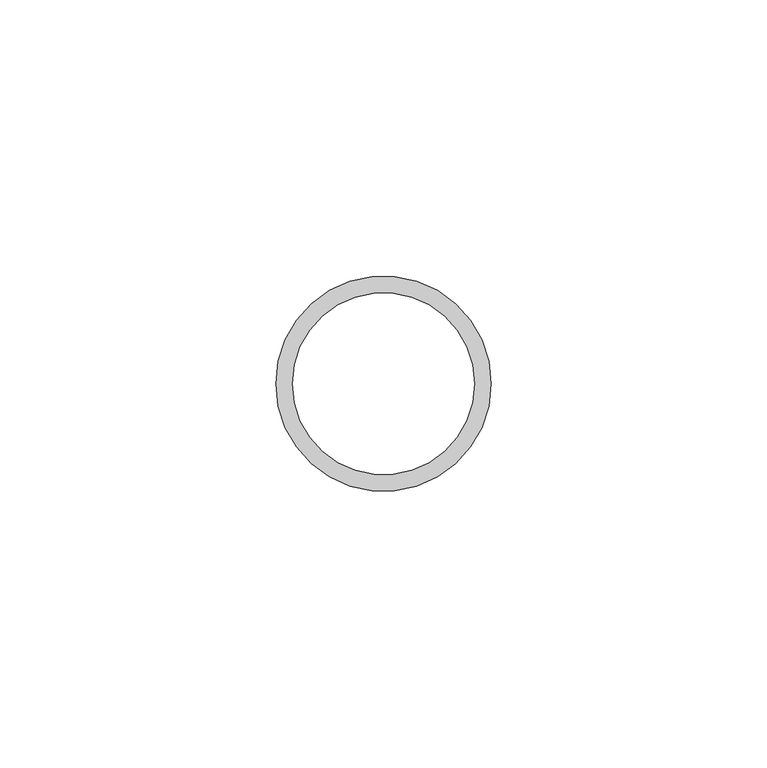
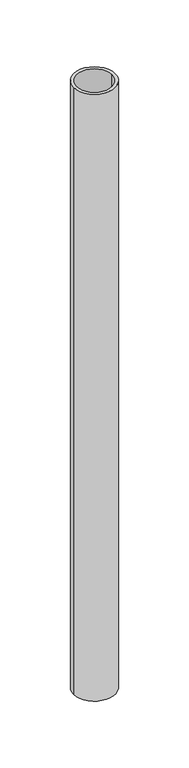
"""IFC4 building model written with IfcOpenShell, lengths in millimetres: beam geometry."""

from ifc_helpers import new_model, si_unit, point, frame, origin, origin_2d, place, context, project, spatial, circle_curve, trimmed, segment, composite_curve, outline, extrude, source, transform, mapped, element, save


def beam_9220ffe6(model_context):
    return source(origin(), model_context, "Body", "SweptSolid", [
        extrude(outline(composite_curve([segment(trimmed(circle_curve(origin_2d(), 19.5), [point((19.5, 0.0))], [point((-19.5, 0.0))], False, "CARTESIAN"), True, "CONTINUOUS"), segment(trimmed(circle_curve(origin_2d(), 19.5), [point((-19.5, 0.0))], [point((19.5, 0.0))], False, "CARTESIAN"), True, "CONTINUOUS")], self_intersect=False), holes=[composite_curve([segment(trimmed(circle_curve(origin_2d(), 16.5), [point((16.5, 0.0))], [point((-16.5, 0.0))], True, "CARTESIAN"), True, "CONTINUOUS"), segment(trimmed(circle_curve(origin_2d(), 16.5), [point((-16.5, 0.0))], [point((16.5, 0.0))], True, "CARTESIAN"), True, "CONTINUOUS")], self_intersect=False)]), frame((0.0, 0.0, -600.0), z_axis=(0.0, 0.0, 1.0), x_axis=(1.0, 0.0, 0.0)), (0.0, 0.0, 1.0), 600.0),
    ])


if __name__ == "__main__":
    model = new_model("IFC4")
    model_context = context("Model", 3, world=origin())
    ifc_project = project(units=[si_unit("LENGTHUNIT", "METRE", prefix="MILLI")], contexts=[model_context])
    site = spatial("IfcSite", under=ifc_project)
    building = spatial("IfcBuilding", under=site)
    placement = place(None, origin())
    beam_shape = beam_9220ffe6(model_context)
    element("IfcBeam", 1, at=placement, inside=building, context=model_context, shape_type="MappedRepresentation", body=[
        mapped(beam_shape, transform((0.0, 0.0, 0.0), x_axis=(1.0, 0.0, 0.0), y_axis=(0.0, 1.0, 0.0), z_axis=(0.0, 0.0, 1.0))),
    ])
    save(model, "model.ifc")
